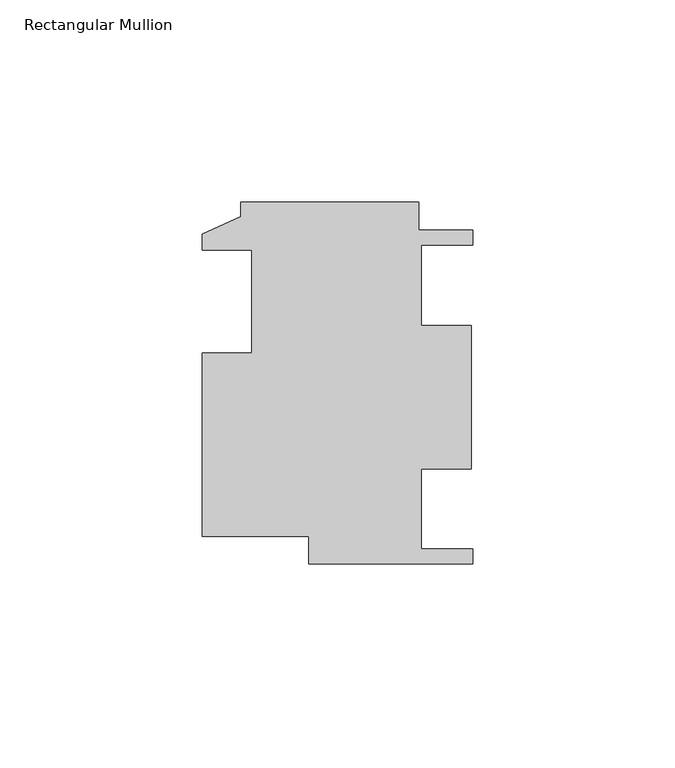
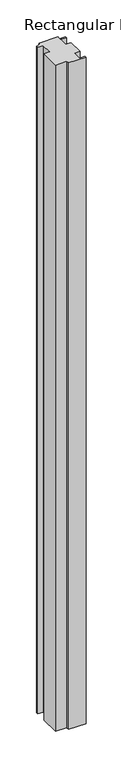
"""IFC4 building model written with IfcOpenShell, lengths in millimetres: member geometry, Rectangular Mullion."""

from ifc_helpers import new_model, si_unit, frame, origin, place, context, project, spatial, polyline, outline, extrude, source, transform, mapped, element, save


def rectangular_mullion_7e4141ed(model_context):
    return source(origin(), model_context, "Body", "SweptSolid", [
        extrude(outline(polyline([(-40.4622, -43.1419), (-40.4622, -36.2331), (-66.7512, -36.2331), (-66.7512, 9.0805), (-54.5338, 9.0805), (-54.5338, 34.4805), (-66.7512, 34.4805), (-66.7512, 38.3921), (-57.2262, 42.7101), (-57.2262, 46.3169), (-13.2588, 46.3169), (-13.2588, 39.4081), (0.0, 39.4081), (0.0, 35.6743), (-12.7, 35.6743), (-12.7, 15.8369), (-0.3456927, 15.8369), (-0.3456927, -19.5707), (-12.7, -19.5707), (-12.7, -39.4081), (0.0, -39.4081), (0.0, -43.1419), (-40.4622, -43.1419)])), frame((0.0, 0.0, -1625.6), z_axis=(0.0, 0.0, 1.0), x_axis=(1.0, 0.0, 0.0)), (0.0, 0.0, 1.0), 1625.6),
    ])


if __name__ == "__main__":
    model = new_model("IFC4")
    model_context = context("Model", 3, world=origin())
    ifc_project = project(units=[si_unit("LENGTHUNIT", "METRE", prefix="MILLI")], contexts=[model_context])
    site = spatial("IfcSite", under=ifc_project)
    building = spatial("IfcBuilding", under=site)
    placement = place(None, origin())
    rectangular_mullion_shape = rectangular_mullion_7e4141ed(model_context)
    element("IfcMember", 1, ObjectType="Rectangular Mullion", at=placement, inside=building, context=model_context, shape_type="MappedRepresentation", body=[
        mapped(rectangular_mullion_shape, transform((0.0, 0.0, 0.0), x_axis=(1.0, 0.0, 0.0), y_axis=(0.0, 1.0, 0.0), z_axis=(0.0, 0.0, 1.0))),
    ])
    save(model, "model.ifc")
